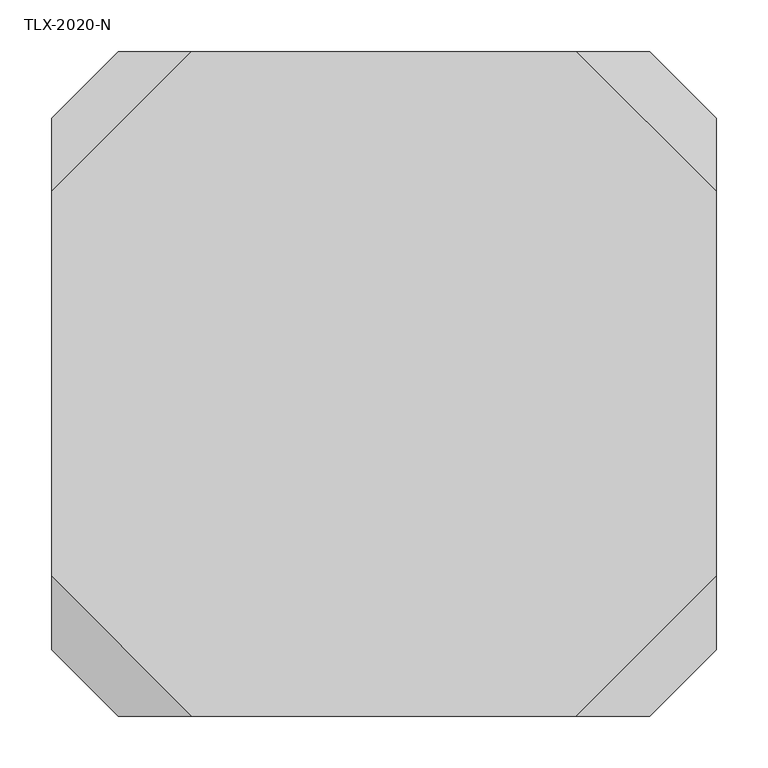
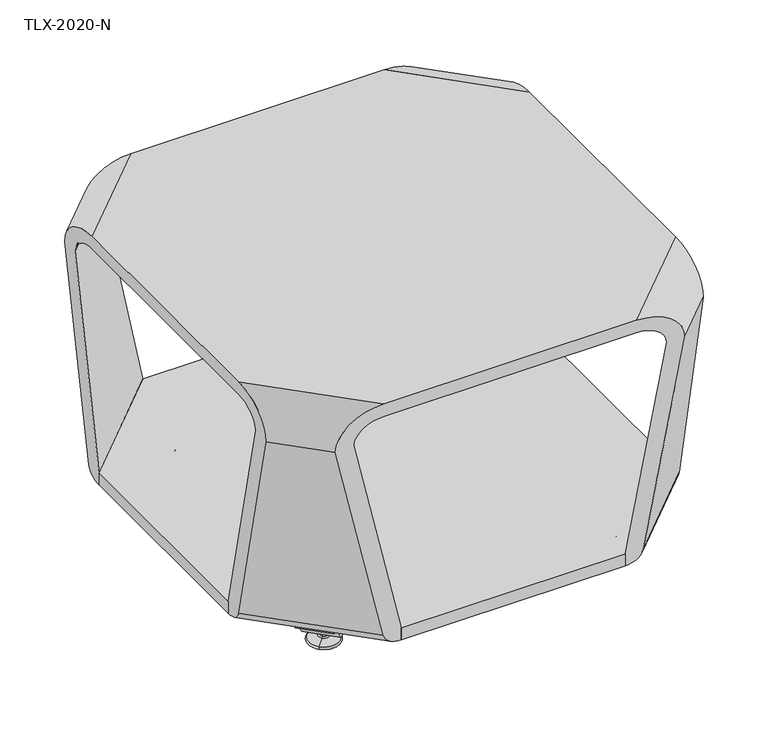
"""IFC4 building model written with IfcOpenShell, lengths in millimetres: furniture geometry, TLX-2020-N."""

from ifc_helpers import new_model, si_unit, point, frame, frame_2d, origin, place, context, project, spatial, polyline, circle_curve, ellipse_curve, trimmed, segment, composite_curve, outline, extrude, source, transform, mapped, element, save
from ifc_brep_helpers import plane_surface, cylinder_surface, revolved_surface, advanced_brep


def tlx_2020_n_4e69cbd5(model_context):
    return source(origin(), model_context, "Body", "SolidModel", [
        advanced_brep(
        [(239.0054742, 315.0121224, 7.8133431), (232.2702821, 308.2769303, 7.8133431), (229.9834824, 305.9901306, 7.8133431), (241.2922739, 317.2989221, 7.8133431), (220.1247494, 296.1313976, 4.0775), (251.1510069, 327.1576551, 4.0775), (220.4150529, 296.4217012, 0.0), (250.8607033, 326.8673516, 0.0), (235.6378781, 311.6445264, 0.0), (235.6378781, 311.6445264, 50.0000004), (232.2702821, 308.2769303, 50.0000004), (239.0054742, 315.0121224, 50.0000004)],
        [
            (0, 1, circle_curve(frame((235.6378781, 311.6445264, 7.8133431), z_axis=(0.0, 0.0, -1.0), x_axis=(-0.7071067811865458, -0.7071067811865493, 0.0)), 4.7625)),
            (1, 2),
            (2, 3, circle_curve(frame((235.6378781, 311.6445264, 7.8133431), z_axis=(0.0, 0.0, 1.0), x_axis=(-0.7071067811865458, -0.7071067811865493, 0.0)), 7.9965232)),
            (3, 0),
            (1, 0, circle_curve(frame((235.6378781, 311.6445264, 7.8133431), z_axis=(0.0, 0.0, -1.0), x_axis=(-0.7071067811865458, -0.7071067811865493, 0.0)), 4.7625)),
            (3, 2, circle_curve(frame((235.6378781, 311.6445264, 7.8133431), z_axis=(0.0, 0.0, 1.0), x_axis=(-0.7071067811865458, -0.7071067811865493, 0.0)), 7.9965232)),
            (2, 4),
            (4, 5, circle_curve(frame((235.6378781, 311.6445264, 4.0775), z_axis=(0.0, 0.0, 1.0), x_axis=(-0.7071067811865458, -0.7071067811865493, 0.0)), 21.9388771)),
            (5, 3),
            (5, 4, circle_curve(frame((235.6378781, 311.6445264, 4.0775), z_axis=(0.0, 0.0, 1.0), x_axis=(-0.7071067811865458, -0.7071067811865493, 0.0)), 21.9388771)),
            (4, 6, circle_curve(frame((220.5046942, 296.5113425, 2.0721829), z_axis=(0.7071067811865493, -0.7071067811865458, 0.0), x_axis=(0.7071067811865458, 0.7071067811865493, 0.0)), 2.0760571)),
            (6, 7, circle_curve(frame((235.6378781, 311.6445264, 0.0), z_axis=(0.0, 0.0, 1.0), x_axis=(-0.7071067811865458, -0.7071067811865493, 0.0)), 21.5283258)),
            (7, 5, circle_curve(frame((250.771062, 326.7777103, 2.0721829), z_axis=(0.707106781186547, -0.7071067811865481, 0.0), x_axis=(-0.7071067811865481, -0.707106781186547, 0.0)), 2.0760571)),
            (7, 6, circle_curve(frame((235.6378781, 311.6445264, 0.0), z_axis=(0.0, 0.0, 1.0), x_axis=(-0.7071067811865458, -0.7071067811865493, 0.0)), 21.5283258)),
            (6, 8),
            (8, 7),
            (9, 10),
            (10, 11, circle_curve(frame((235.6378781, 311.6445264, 50.0000004), z_axis=(0.0, 0.0, 1.0), x_axis=(-0.7071067811865458, -0.7071067811865493, 0.0)), 4.7625)),
            (11, 9),
            (11, 10, circle_curve(frame((235.6378781, 311.6445264, 50.0000004), z_axis=(0.0, 0.0, 1.0), x_axis=(-0.7071067811865458, -0.7071067811865493, 0.0)), 4.7625)),
            (10, 1),
            (0, 11),
        ],
        [
            plane_surface(frame((235.6378781, 311.6445264, 7.8133431), z_axis=(0.0, 0.0, 1.0), x_axis=(-0.7071067811865458, -0.7071067811865493, 0.0))),
            revolved_surface(polyline([(220.1247494, 296.1313976, 4.0775), (229.9834824, 305.9901306, 7.8133431)]), (235.6378781, 311.6445264, 0.0), (0.0, 0.0, 1.0)),
            revolved_surface(trimmed(ellipse_curve(frame((220.5046942, 296.5113425, 2.0721829), z_axis=(-0.7071067811865493, 0.7071067811865458, 0.0), x_axis=(0.7071067811865458, 0.7071067811865493, 0.0)), 2.0760571, 2.0760571), [point((220.4150529, 296.4217012, 0.0))], [point((220.1247494, 296.1313976, 4.0775))], True, "CARTESIAN"), (235.6378781, 311.6445264, 0.0), (0.0, 0.0, 1.0)),
            plane_surface(frame((235.6378781, 311.6445264, 0.0), z_axis=(0.0, 0.0, -1.0), x_axis=(-0.7071067811865458, -0.7071067811865493, 0.0))),
            plane_surface(frame((235.6378781, 311.6445264, 50.0000004), z_axis=(0.0, 0.0, 1.0), x_axis=(-0.7071067811865458, -0.7071067811865493, 0.0))),
            cylinder_surface(frame((235.6378781, 311.6445264, 0.0), z_axis=(0.0, 0.0, 1.0), x_axis=(-0.7071067811865458, -0.7071067811865493, 0.0)), 4.7625),
        ],
        [
            (0, [[1, 2, 3, 4]]),
            (0, [[5, -4, 6, -2]]),
            (1, [[-3, 7, 8, 9]]),
            (1, [[-6, -9, 10, -7]]),
            (2, [[-8, 11, 12, 13]]),
            (2, [[-10, -13, 14, -11]]),
            (3, [[-12, 15, 16]]),
            (3, [[-14, -16, -15]]),
            (4, [[17, 18, 19]]),
            (4, [[-19, 20, -17]]),
            (5, [[-18, 21, -1, 22]]),
            (5, [[-20, -22, -5, -21]]),
        ],
    ),
        extrude(outline(composite_curve([segment(polyline([(9.310002, 9.3100019), (9.310002, 19.1875394)]), True, "CONTINUOUS"), segment(trimmed(circle_curve(frame_2d((0.0, 19.1875394)), 9.310002), [point((9.310002, 19.1875394))], [point((0.7937553, 28.4636425))], True, "CARTESIAN"), True, "CONTINUOUS"), segment(polyline([(0.7937553, 28.4636425), (-6.9117032, 29.1229979)]), True, "CONTINUOUS"), segment(trimmed(circle_curve(frame_2d((-4.8241067, 43.9770199)), 15.000001), [point((-6.9117032, 29.1229979))], [point((-19.8241077, 43.9770199))], False, "CARTESIAN"), True, "CONTINUOUS"), segment(polyline([(-19.8241077, 43.9770199), (-19.8241077, 59.4425545), (-14.1341071, 59.4425545), (-14.1341071, 43.9770213)]), True, "CONTINUOUS"), segment(trimmed(circle_curve(frame_2d((-4.8241051, 43.9770213)), 9.310002), [point((-14.1341071, 43.9770213))], [point((-6.1198051, 34.7576234))], True, "CARTESIAN"), True, "CONTINUOUS"), segment(polyline([(-6.1198051, 34.7576234), (1.7775308, 34.0818491)]), True, "CONTINUOUS"), segment(trimmed(circle_curve(frame_2d((1.6e-06, 19.1875408)), 15.000001), [point((1.7775308, 34.0818491))], [point((15.0000026, 19.1875408))], False, "CARTESIAN"), True, "CONTINUOUS"), segment(polyline([(15.0000026, 19.1875408), (15.0000026, 9.3100005)]), True, "CONTINUOUS"), segment(trimmed(circle_curve(frame_2d((1.6e-06, 9.3100005)), 15.000001), [point((15.0000026, 9.3100005))], [point((1.7775308, -5.5843078))], False, "CARTESIAN"), True, "CONTINUOUS"), segment(polyline([(1.7775308, -5.5843078), (-6.1198051, -6.2600821)]), True, "CONTINUOUS"), segment(trimmed(circle_curve(frame_2d((-4.8241051, -15.47948)), 9.310002), [point((-6.1198051, -6.2600821))], [point((-14.1341071, -15.47948))], True, "CARTESIAN"), True, "CONTINUOUS"), segment(polyline([(-14.1341071, -15.47948), (-14.1341071, -30.9450132), (-19.8241077, -30.9450132), (-19.8241077, -15.4794786)]), True, "CONTINUOUS"), segment(trimmed(circle_curve(frame_2d((-4.8241067, -15.4794786)), 15.000001), [point((-19.8241077, -15.4794786))], [point((-6.9117032, -0.6254566))], False, "CARTESIAN"), True, "CONTINUOUS"), segment(polyline([(-6.9117032, -0.6254566), (0.7937553, 0.0338988)]), True, "CONTINUOUS"), segment(trimmed(circle_curve(frame_2d((0.0, 9.3100019)), 9.310002), [point((0.7937553, 0.0338988))], [point((9.310002, 9.3100019))], True, "CARTESIAN"), True, "CONTINUOUS")], self_intersect=False)), frame((263.6737927, 303.7594165, 30.0000023), z_axis=(-0.7071067811865467, 0.7071067811865483, 0.0), x_axis=(0.0, 0.0, -1.0)), (0.0, 0.0, 1.0), 50.8),
        advanced_brep(
        [(647.7690762, 317.2989221, 7.8133431), (659.0778677, 305.9901306, 7.8133431), (656.791068, 308.2769303, 7.8133431), (650.0558759, 315.0121224, 7.8133431), (637.9103432, 327.1576551, 4.0775), (668.9366007, 296.1313976, 4.0775), (638.2006468, 326.8673516, 0.0), (668.6462971, 296.4217012, 0.0), (653.4234719, 311.6445264, 0.0), (650.0558759, 315.0121224, 50.0000004), (656.791068, 308.2769303, 50.0000004), (653.4234719, 311.6445264, 50.0000004)],
        [
            (0, 1, circle_curve(frame((653.4234719, 311.6445264, 7.8133431), z_axis=(0.0, 0.0, 1.0), x_axis=(0.7071067811865458, -0.7071067811865493, 0.0)), 7.9965232)),
            (1, 2),
            (2, 3, circle_curve(frame((653.4234719, 311.6445264, 7.8133431), z_axis=(0.0, 0.0, -1.0), x_axis=(0.7071067811865458, -0.7071067811865493, 0.0)), 4.7625)),
            (3, 0),
            (1, 0, circle_curve(frame((653.4234719, 311.6445264, 7.8133431), z_axis=(0.0, 0.0, 1.0), x_axis=(0.7071067811865458, -0.7071067811865493, 0.0)), 7.9965232)),
            (3, 2, circle_curve(frame((653.4234719, 311.6445264, 7.8133431), z_axis=(0.0, 0.0, -1.0), x_axis=(0.7071067811865458, -0.7071067811865493, 0.0)), 4.7625)),
            (4, 5, circle_curve(frame((653.4234719, 311.6445264, 4.0775), z_axis=(0.0, 0.0, 1.0), x_axis=(0.7071067811865458, -0.7071067811865493, 0.0)), 21.9388771)),
            (5, 1),
            (0, 4),
            (5, 4, circle_curve(frame((653.4234719, 311.6445264, 4.0775), z_axis=(0.0, 0.0, 1.0), x_axis=(0.7071067811865458, -0.7071067811865493, 0.0)), 21.9388771)),
            (6, 7, circle_curve(frame((653.4234719, 311.6445264, 0.0), z_axis=(0.0, 0.0, 1.0), x_axis=(0.7071067811865458, -0.7071067811865493, 0.0)), 21.5283258)),
            (7, 5, circle_curve(frame((668.5566558, 296.5113425, 2.0721829), z_axis=(-0.7071067811865493, -0.7071067811865458, 0.0), x_axis=(-0.7071067811865458, 0.7071067811865493, 0.0)), 2.0760571)),
            (4, 6, circle_curve(frame((638.2902881, 326.7777103, 2.0721829), z_axis=(-0.707106781186547, -0.7071067811865481, 0.0), x_axis=(0.7071067811865481, -0.707106781186547, 0.0)), 2.0760571)),
            (7, 6, circle_curve(frame((653.4234719, 311.6445264, 0.0), z_axis=(0.0, 0.0, 1.0), x_axis=(0.7071067811865458, -0.7071067811865493, 0.0)), 21.5283258)),
            (8, 7),
            (6, 8),
            (9, 10, circle_curve(frame((653.4234719, 311.6445264, 50.0000004), z_axis=(0.0, 0.0, 1.0), x_axis=(0.7071067811865458, -0.7071067811865493, 0.0)), 4.7625)),
            (10, 11),
            (11, 9),
            (10, 9, circle_curve(frame((653.4234719, 311.6445264, 50.0000004), z_axis=(0.0, 0.0, 1.0), x_axis=(0.7071067811865458, -0.7071067811865493, 0.0)), 4.7625)),
            (2, 10),
            (9, 3),
        ],
        [
            plane_surface(frame((653.4234719, 311.6445264, 7.8133431), z_axis=(0.0, 0.0, 1.0), x_axis=(0.7071067811865458, -0.7071067811865493, 0.0))),
            revolved_surface(polyline([(659.0778677, 305.9901306, 7.8133431), (668.9366007, 296.1313976, 4.0775)]), (653.4234719, 311.6445264, 0.0), (0.0, 0.0, -1.0)),
            revolved_surface(trimmed(ellipse_curve(frame((668.5566558, 296.5113425, 2.0721829), z_axis=(0.7071067811865493, 0.7071067811865458, 0.0), x_axis=(-0.7071067811865458, 0.7071067811865493, 0.0)), 2.0760571, 2.0760571), [point((668.9366007, 296.1313976, 4.0775))], [point((668.6462971, 296.4217012, 0.0))], True, "CARTESIAN"), (653.4234719, 311.6445264, 0.0), (0.0, 0.0, -1.0)),
            plane_surface(frame((653.4234719, 311.6445264, 0.0), z_axis=(0.0, 0.0, -1.0), x_axis=(0.7071067811865458, -0.7071067811865493, 0.0))),
            plane_surface(frame((653.4234719, 311.6445264, 50.0000004), z_axis=(0.0, 0.0, 1.0), x_axis=(0.7071067811865458, -0.7071067811865493, 0.0))),
            cylinder_surface(frame((653.4234719, 311.6445264, 0.0), z_axis=(0.0, 0.0, -1.0), x_axis=(0.7071067811865458, -0.7071067811865493, 0.0)), 4.7625),
        ],
        [
            (0, [[1, 2, 3, 4]]),
            (0, [[5, -4, 6, -2]]),
            (1, [[7, 8, -1, 9]]),
            (1, [[10, -9, -5, -8]]),
            (2, [[11, 12, -7, 13]]),
            (2, [[14, -13, -10, -12]]),
            (3, [[15, -11, 16]]),
            (3, [[-16, -14, -15]]),
            (4, [[17, 18, 19]]),
            (4, [[20, -19, -18]]),
            (5, [[-3, 21, -17, 22]]),
            (5, [[-6, -22, -20, -21]]),
        ],
    ),
        extrude(outline(composite_curve([segment(trimmed(circle_curve(frame_2d((-42.6726288, 9.310002)), 9.310002), [point((-42.6726288, 0.0))], [point((-33.3965256, 8.5162467))], True, "CARTESIAN"), True, "CONTINUOUS"), segment(polyline([(-33.3965256, 8.5162467), (-32.7371703, 16.2217052)]), True, "CONTINUOUS"), segment(trimmed(circle_curve(frame_2d((-17.8831482, 14.1341087)), 15.000001), [point((-32.7371703, 16.2217052))], [point((-17.8831482, 29.1341097))], False, "CARTESIAN"), True, "CONTINUOUS"), segment(polyline([(-17.8831482, 29.1341097), (-2.4176136, 29.1341097), (-2.4176136, 23.4441091), (-17.8831468, 23.4441091)]), True, "CONTINUOUS"), segment(trimmed(circle_curve(frame_2d((-17.8831468, 14.1341071)), 9.310002), [point((-17.8831468, 23.4441091))], [point((-27.1025448, 15.4298071))], True, "CARTESIAN"), True, "CONTINUOUS"), segment(polyline([(-27.1025448, 15.4298071), (-27.7783191, 7.5324712)]), True, "CONTINUOUS"), segment(trimmed(circle_curve(frame_2d((-42.6726274, 9.3100004)), 15.000001), [point((-27.7783191, 7.5324712))], [point((-42.6726274, -5.6900006))], False, "CARTESIAN"), True, "CONTINUOUS"), segment(polyline([(-42.6726274, -5.6900006), (-52.5501676, -5.6900006)]), True, "CONTINUOUS"), segment(trimmed(circle_curve(frame_2d((-52.5501676, 9.3100004)), 15.000001), [point((-52.5501676, -5.6900006))], [point((-67.4444759, 7.5324712))], False, "CARTESIAN"), True, "CONTINUOUS"), segment(polyline([(-67.4444759, 7.5324712), (-68.1202502, 15.4298071)]), True, "CONTINUOUS"), segment(trimmed(circle_curve(frame_2d((-77.3396482, 14.1341071)), 9.310002), [point((-68.1202502, 15.4298071))], [point((-77.3396482, 23.4441091))], True, "CARTESIAN"), True, "CONTINUOUS"), segment(polyline([(-77.3396482, 23.4441091), (-92.8051814, 23.4441091), (-92.8051814, 29.1341097), (-77.3396468, 29.1341097)]), True, "CONTINUOUS"), segment(trimmed(circle_curve(frame_2d((-77.3396468, 14.1341087)), 15.000001), [point((-77.3396468, 29.1341097))], [point((-62.4856247, 16.2217052))], False, "CARTESIAN"), True, "CONTINUOUS"), segment(polyline([(-62.4856247, 16.2217052), (-61.8262693, 8.5162467)]), True, "CONTINUOUS"), segment(trimmed(circle_curve(frame_2d((-52.5501662, 9.310002)), 9.310002), [point((-61.8262693, 8.5162467))], [point((-52.5501662, 0.0))], True, "CARTESIAN"), True, "CONTINUOUS"), segment(polyline([(-52.5501662, 0.0), (-42.6726288, 0.0)]), True, "CONTINUOUS")], self_intersect=False)), frame((601.7966177, 327.3503562, 20.6900003), z_axis=(0.7071067811865468, 0.7071067811865483, 0.0), x_axis=(-0.7071067811865483, 0.7071067811865468, 0.0)), (0.0, 0.0, 1.0), 50.8),
        advanced_brep(
        [(650.0558759, 726.326946, 7.8133431), (656.791068, 733.0621381, 7.8133431), (659.0778677, 735.3489378, 7.8133431), (647.7690762, 724.0401463, 7.8133431), (668.9366007, 745.2076708, 4.0775), (637.9103432, 714.1814133, 4.0775), (668.6462971, 744.9173672, 0.0), (638.2006468, 714.4717169, 0.0), (653.4234719, 729.694542, 0.0), (653.4234719, 729.694542, 50.0000004), (656.791068, 733.0621381, 50.0000004), (650.0558759, 726.326946, 50.0000004)],
        [
            (0, 1, circle_curve(frame((653.4234719, 729.694542, 7.8133431), z_axis=(0.0, 0.0, -1.0), x_axis=(0.7071067811865458, 0.7071067811865493, 0.0)), 4.7625)),
            (1, 2),
            (2, 3, circle_curve(frame((653.4234719, 729.694542, 7.8133431), z_axis=(0.0, 0.0, 1.0), x_axis=(0.7071067811865458, 0.7071067811865493, 0.0)), 7.9965232)),
            (3, 0),
            (1, 0, circle_curve(frame((653.4234719, 729.694542, 7.8133431), z_axis=(0.0, 0.0, -1.0), x_axis=(0.7071067811865458, 0.7071067811865493, 0.0)), 4.7625)),
            (3, 2, circle_curve(frame((653.4234719, 729.694542, 7.8133431), z_axis=(0.0, 0.0, 1.0), x_axis=(0.7071067811865458, 0.7071067811865493, 0.0)), 7.9965232)),
            (2, 4),
            (4, 5, circle_curve(frame((653.4234719, 729.694542, 4.0775), z_axis=(0.0, 0.0, 1.0), x_axis=(0.7071067811865458, 0.7071067811865493, 0.0)), 21.9388771)),
            (5, 3),
            (5, 4, circle_curve(frame((653.4234719, 729.694542, 4.0775), z_axis=(0.0, 0.0, 1.0), x_axis=(0.7071067811865458, 0.7071067811865493, 0.0)), 21.9388771)),
            (4, 6, circle_curve(frame((668.5566558, 744.8277259, 2.0721829), z_axis=(-0.7071067811865493, 0.7071067811865458, 0.0), x_axis=(-0.7071067811865458, -0.7071067811865493, 0.0)), 2.0760571)),
            (6, 7, circle_curve(frame((653.4234719, 729.694542, 0.0), z_axis=(0.0, 0.0, 1.0), x_axis=(0.7071067811865458, 0.7071067811865493, 0.0)), 21.5283258)),
            (7, 5, circle_curve(frame((638.2902881, 714.5613582, 2.0721829), z_axis=(-0.707106781186547, 0.7071067811865481, 0.0), x_axis=(0.7071067811865481, 0.707106781186547, 0.0)), 2.0760571)),
            (7, 6, circle_curve(frame((653.4234719, 729.694542, 0.0), z_axis=(0.0, 0.0, 1.0), x_axis=(0.7071067811865458, 0.7071067811865493, 0.0)), 21.5283258)),
            (6, 8),
            (8, 7),
            (9, 10),
            (10, 11, circle_curve(frame((653.4234719, 729.694542, 50.0000004), z_axis=(0.0, 0.0, 1.0), x_axis=(0.7071067811865458, 0.7071067811865493, 0.0)), 4.7625)),
            (11, 9),
            (11, 10, circle_curve(frame((653.4234719, 729.694542, 50.0000004), z_axis=(0.0, 0.0, 1.0), x_axis=(0.7071067811865458, 0.7071067811865493, 0.0)), 4.7625)),
            (10, 1),
            (0, 11),
        ],
        [
            plane_surface(frame((653.4234719, 729.694542, 7.8133431), z_axis=(0.0, 0.0, 1.0), x_axis=(0.7071067811865458, 0.7071067811865493, 0.0))),
            revolved_surface(polyline([(668.9366007, 745.2076708, 4.0775), (659.0778677, 735.3489378, 7.8133431)]), (653.4234719, 729.694542, 0.0), (0.0, 0.0, 1.0)),
            revolved_surface(trimmed(ellipse_curve(frame((668.5566558, 744.8277259, 2.0721829), z_axis=(0.7071067811865493, -0.7071067811865458, 0.0), x_axis=(-0.7071067811865458, -0.7071067811865493, 0.0)), 2.0760571, 2.0760571), [point((668.6462971, 744.9173672, 0.0))], [point((668.9366007, 745.2076708, 4.0775))], True, "CARTESIAN"), (653.4234719, 729.694542, 0.0), (0.0, 0.0, 1.0)),
            plane_surface(frame((653.4234719, 729.694542, 0.0), z_axis=(0.0, 0.0, -1.0), x_axis=(0.7071067811865458, 0.7071067811865493, 0.0))),
            plane_surface(frame((653.4234719, 729.694542, 50.0000004), z_axis=(0.0, 0.0, 1.0), x_axis=(0.7071067811865458, 0.7071067811865493, 0.0))),
            cylinder_surface(frame((653.4234719, 729.694542, 0.0), z_axis=(0.0, 0.0, 1.0), x_axis=(0.7071067811865458, 0.7071067811865493, 0.0)), 4.7625),
        ],
        [
            (0, [[1, 2, 3, 4]]),
            (0, [[5, -4, 6, -2]]),
            (1, [[-3, 7, 8, 9]]),
            (1, [[-6, -9, 10, -7]]),
            (2, [[-8, 11, 12, 13]]),
            (2, [[-10, -13, 14, -11]]),
            (3, [[-12, 15, 16]]),
            (3, [[-14, -16, -15]]),
            (4, [[17, 18, 19]]),
            (4, [[-19, 20, -17]]),
            (5, [[-18, 21, -1, 22]]),
            (5, [[-20, -22, -5, -21]]),
        ],
    ),
        extrude(outline(composite_curve([segment(trimmed(circle_curve(frame_2d((0.0, 9.310002)), 9.310002), [point((-9.310002, 9.310002))], [point((-0.7937553, 0.0338988))], True, "CARTESIAN"), True, "CONTINUOUS"), segment(polyline([(-0.7937553, 0.0338988), (6.9117032, -0.6254565)]), True, "CONTINUOUS"), segment(trimmed(circle_curve(frame_2d((4.8241067, -15.4794786)), 15.000001), [point((6.9117032, -0.6254565))], [point((19.8241077, -15.4794786))], False, "CARTESIAN"), True, "CONTINUOUS"), segment(polyline([(19.8241077, -15.4794786), (19.8241077, -30.9450132), (14.1341071, -30.9450132), (14.1341071, -15.47948)]), True, "CONTINUOUS"), segment(trimmed(circle_curve(frame_2d((4.8241051, -15.47948)), 9.310002), [point((14.1341071, -15.47948))], [point((6.1198051, -6.260082))], True, "CARTESIAN"), True, "CONTINUOUS"), segment(polyline([(6.1198051, -6.260082), (-1.7775308, -5.5843077)]), True, "CONTINUOUS"), segment(trimmed(circle_curve(frame_2d((-1.6e-06, 9.3100007)), 15.000001), [point((-1.7775308, -5.5843077))], [point((-15.0000026, 9.3100007))], False, "CARTESIAN"), True, "CONTINUOUS"), segment(polyline([(-15.0000026, 9.3100007), (-15.0000026, 19.1875408)]), True, "CONTINUOUS"), segment(trimmed(circle_curve(frame_2d((-1.6e-06, 19.1875408)), 15.000001), [point((-15.0000026, 19.1875408))], [point((-1.7775308, 34.0818492))], False, "CARTESIAN"), True, "CONTINUOUS"), segment(polyline([(-1.7775308, 34.0818492), (6.1198051, 34.7576234)]), True, "CONTINUOUS"), segment(trimmed(circle_curve(frame_2d((4.8241051, 43.9770214)), 9.310002), [point((6.1198051, 34.7576234))], [point((14.1341071, 43.9770214))], True, "CARTESIAN"), True, "CONTINUOUS"), segment(polyline([(14.1341071, 43.9770214), (14.1341071, 59.4425547), (19.8241077, 59.4425547), (19.8241077, 43.9770201)]), True, "CONTINUOUS"), segment(trimmed(circle_curve(frame_2d((4.8241067, 43.9770201)), 15.000001), [point((19.8241077, 43.9770201))], [point((6.9117032, 29.1229979))], False, "CARTESIAN"), True, "CONTINUOUS"), segment(polyline([(6.9117032, 29.1229979), (-0.7937553, 28.4636426)]), True, "CONTINUOUS"), segment(trimmed(circle_curve(frame_2d((0.0, 19.1875394)), 9.310002), [point((-0.7937553, 28.4636426))], [point((-9.310002, 19.1875394))], True, "CARTESIAN"), True, "CONTINUOUS"), segment(polyline([(-9.310002, 19.1875394), (-9.310002, 9.310002)]), True, "CONTINUOUS")], self_intersect=False)), frame((661.3085818, 701.6586274, 30.0000023), z_axis=(-0.7071067811865467, 0.7071067811865483, 0.0), x_axis=(0.0, 0.0, 1.0)), (0.0, 0.0, 1.0), 50.8),
        advanced_brep(
        [(241.2922739, 724.0401463, 7.8133431), (229.9834824, 735.3489378, 7.8133431), (232.2702821, 733.0621381, 7.8133431), (239.0054742, 726.326946, 7.8133431), (251.1510069, 714.1814133, 4.0775), (220.1247494, 745.2076708, 4.0775), (250.8607033, 714.4717169, 0.0), (220.4150529, 744.9173672, 0.0), (235.6378781, 729.694542, 0.0), (239.0054742, 726.326946, 50.0000004), (232.2702821, 733.0621381, 50.0000004), (235.6378781, 729.694542, 50.0000004)],
        [
            (0, 1, circle_curve(frame((235.6378781, 729.694542, 7.8133431), z_axis=(0.0, 0.0, 1.0), x_axis=(-0.7071067811865458, 0.7071067811865493, 0.0)), 7.9965232)),
            (1, 2),
            (2, 3, circle_curve(frame((235.6378781, 729.694542, 7.8133431), z_axis=(0.0, 0.0, -1.0), x_axis=(-0.7071067811865458, 0.7071067811865493, 0.0)), 4.7625)),
            (3, 0),
            (1, 0, circle_curve(frame((235.6378781, 729.694542, 7.8133431), z_axis=(0.0, 0.0, 1.0), x_axis=(-0.7071067811865458, 0.7071067811865493, 0.0)), 7.9965232)),
            (3, 2, circle_curve(frame((235.6378781, 729.694542, 7.8133431), z_axis=(0.0, 0.0, -1.0), x_axis=(-0.7071067811865458, 0.7071067811865493, 0.0)), 4.7625)),
            (4, 5, circle_curve(frame((235.6378781, 729.694542, 4.0775), z_axis=(0.0, 0.0, 1.0), x_axis=(-0.7071067811865458, 0.7071067811865493, 0.0)), 21.9388771)),
            (5, 1),
            (0, 4),
            (5, 4, circle_curve(frame((235.6378781, 729.694542, 4.0775), z_axis=(0.0, 0.0, 1.0), x_axis=(-0.7071067811865458, 0.7071067811865493, 0.0)), 21.9388771)),
            (6, 7, circle_curve(frame((235.6378781, 729.694542, 0.0), z_axis=(0.0, 0.0, 1.0), x_axis=(-0.7071067811865458, 0.7071067811865493, 0.0)), 21.5283258)),
            (7, 5, circle_curve(frame((220.5046942, 744.8277259, 2.0721829), z_axis=(0.7071067811865493, 0.7071067811865458, 0.0), x_axis=(0.7071067811865458, -0.7071067811865493, 0.0)), 2.0760571)),
            (4, 6, circle_curve(frame((250.771062, 714.5613582, 2.0721829), z_axis=(0.707106781186547, 0.7071067811865481, 0.0), x_axis=(-0.7071067811865481, 0.707106781186547, 0.0)), 2.0760571)),
            (7, 6, circle_curve(frame((235.6378781, 729.694542, 0.0), z_axis=(0.0, 0.0, 1.0), x_axis=(-0.7071067811865458, 0.7071067811865493, 0.0)), 21.5283258)),
            (8, 7),
            (6, 8),
            (9, 10, circle_curve(frame((235.6378781, 729.694542, 50.0000004), z_axis=(0.0, 0.0, 1.0), x_axis=(-0.7071067811865458, 0.7071067811865493, 0.0)), 4.7625)),
            (10, 11),
            (11, 9),
            (10, 9, circle_curve(frame((235.6378781, 729.694542, 50.0000004), z_axis=(0.0, 0.0, 1.0), x_axis=(-0.7071067811865458, 0.7071067811865493, 0.0)), 4.7625)),
            (2, 10),
            (9, 3),
        ],
        [
            plane_surface(frame((235.6378781, 729.694542, 7.8133431), z_axis=(0.0, 0.0, 1.0), x_axis=(-0.7071067811865458, 0.7071067811865493, 0.0))),
            revolved_surface(polyline([(229.9834824, 735.3489378, 7.8133431), (220.1247494, 745.2076708, 4.0775)]), (235.6378781, 729.694542, 0.0), (0.0, 0.0, -1.0)),
            revolved_surface(trimmed(ellipse_curve(frame((220.5046942, 744.8277259, 2.0721829), z_axis=(-0.7071067811865493, -0.7071067811865458, 0.0), x_axis=(0.7071067811865458, -0.7071067811865493, 0.0)), 2.0760571, 2.0760571), [point((220.1247494, 745.2076708, 4.0775))], [point((220.4150529, 744.9173672, 0.0))], True, "CARTESIAN"), (235.6378781, 729.694542, 0.0), (0.0, 0.0, -1.0)),
            plane_surface(frame((235.6378781, 729.694542, 0.0), z_axis=(0.0, 0.0, -1.0), x_axis=(-0.7071067811865458, 0.7071067811865493, 0.0))),
            plane_surface(frame((235.6378781, 729.694542, 50.0000004), z_axis=(0.0, 0.0, 1.0), x_axis=(-0.7071067811865458, 0.7071067811865493, 0.0))),
            cylinder_surface(frame((235.6378781, 729.694542, 0.0), z_axis=(0.0, 0.0, -1.0), x_axis=(-0.7071067811865458, 0.7071067811865493, 0.0)), 4.7625),
        ],
        [
            (0, [[1, 2, 3, 4]]),
            (0, [[5, -4, 6, -2]]),
            (1, [[7, 8, -1, 9]]),
            (1, [[10, -9, -5, -8]]),
            (2, [[11, 12, -7, 13]]),
            (2, [[14, -13, -10, -12]]),
            (3, [[15, -11, 16]]),
            (3, [[-16, -14, -15]]),
            (4, [[17, 18, 19]]),
            (4, [[20, -19, -18]]),
            (5, [[-3, 21, -17, 22]]),
            (5, [[-6, -22, -20, -21]]),
        ],
    ),
        extrude(outline(composite_curve([segment(polyline([(42.6726288, 0.0), (52.5501662, 0.0)]), True, "CONTINUOUS"), segment(trimmed(circle_curve(frame_2d((52.5501662, 9.310002)), 9.310002), [point((52.5501662, 0.0))], [point((61.8262693, 8.5162467))], True, "CARTESIAN"), True, "CONTINUOUS"), segment(polyline([(61.8262693, 8.5162467), (62.4856247, 16.2217052)]), True, "CONTINUOUS"), segment(trimmed(circle_curve(frame_2d((77.3396468, 14.1341087)), 15.000001), [point((62.4856247, 16.2217052))], [point((77.3396468, 29.1341097))], False, "CARTESIAN"), True, "CONTINUOUS"), segment(polyline([(77.3396468, 29.1341097), (92.8051814, 29.1341097), (92.8051814, 23.4441091), (77.3396482, 23.4441091)]), True, "CONTINUOUS"), segment(trimmed(circle_curve(frame_2d((77.3396482, 14.1341071)), 9.310002), [point((77.3396482, 23.4441091))], [point((68.1202502, 15.4298071))], True, "CARTESIAN"), True, "CONTINUOUS"), segment(polyline([(68.1202502, 15.4298071), (67.444476, 7.5324712)]), True, "CONTINUOUS"), segment(trimmed(circle_curve(frame_2d((52.5501675, 9.3100004)), 15.000001), [point((67.444476, 7.5324712))], [point((52.5501675, -5.6900006))], False, "CARTESIAN"), True, "CONTINUOUS"), segment(polyline([(52.5501675, -5.6900006), (42.6726274, -5.6900006)]), True, "CONTINUOUS"), segment(trimmed(circle_curve(frame_2d((42.6726274, 9.3100004)), 15.000001), [point((42.6726274, -5.6900006))], [point((27.7783191, 7.5324712))], False, "CARTESIAN"), True, "CONTINUOUS"), segment(polyline([(27.7783191, 7.5324712), (27.1025448, 15.4298071)]), True, "CONTINUOUS"), segment(trimmed(circle_curve(frame_2d((17.8831468, 14.1341071)), 9.310002), [point((27.1025448, 15.4298071))], [point((17.8831468, 23.4441091))], True, "CARTESIAN"), True, "CONTINUOUS"), segment(polyline([(17.8831468, 23.4441091), (2.4176135, 23.4441091), (2.4176135, 29.1341097), (17.8831482, 29.1341097)]), True, "CONTINUOUS"), segment(trimmed(circle_curve(frame_2d((17.8831482, 14.1341087)), 15.000001), [point((17.8831482, 29.1341097))], [point((32.7371703, 16.2217052))], False, "CARTESIAN"), True, "CONTINUOUS"), segment(polyline([(32.7371703, 16.2217052), (33.3965256, 8.5162467)]), True, "CONTINUOUS"), segment(trimmed(circle_curve(frame_2d((42.6726288, 9.310002)), 9.310002), [point((33.3965256, 8.5162467))], [point((42.6726288, 0.0))], True, "CARTESIAN"), True, "CONTINUOUS")], self_intersect=False)), frame((251.3437079, 678.0676878, 20.6900003), z_axis=(0.7071067811865468, 0.7071067811865483, 0.0), x_axis=(-0.7071067811865483, 0.7071067811865468, 0.0)), (0.0, 0.0, 1.0), 50.8),
        extrude(outline(polyline([(123.855675, 689.2395615), (275.9606478, 841.3445342), (613.1005146, 841.3445342), (765.205675, 689.2393738), (765.205675, 352.0996981), (613.1005112, 199.9945342), (284.7619726, 199.9945342), (123.855675, 360.9008317), (123.855675, 689.2395615)])), frame((0.0, 0.0, 50.0000004), z_axis=(0.0, 0.0, 1.0), x_axis=(1.0, 0.0, 0.0)), (0.0, 0.0, 1.0), 18.9999985),
        advanced_brep(
        [(765.205675, 334.8572138, 406.0000002), (765.205675, 291.0478966, 376.1711523), (674.1523126, 199.9945342, 376.1711523), (630.3429954, 199.9945342, 406.0000002), (765.205675, 352.0995843, 68.9999989), (613.1006249, 199.9945342, 68.9999989), (765.205675, 352.0996207, 50.0000004), (613.1005886, 199.9945342, 50.0000004), (765.205675, 325.4910341, 66.3557108), (639.7091752, 199.9945342, 66.3557108), (765.205675, 264.1464863, 375.0000029), (701.0537229, 199.9945342, 375.0000029), (765.205675, 334.8572138, 425.45), (630.3429954, 199.9945342, 425.45), (258.7183546, 199.9945342, 425.45), (188.0076271, 199.9945342, 375.0000029), (258.153386, 199.9945342, 66.3557108), (284.7619726, 199.9945342, 49.9999749), (284.7619726, 199.9945342, 68.9999989), (214.9090374, 199.9945342, 376.1711523), (258.7183546, 199.9945342, 406.0000002), (765.205675, 706.4818546, 406.0000002), (765.205675, 750.2911718, 376.1711523), (765.205675, 689.2394841, 68.9999989), (765.205675, 689.2394478, 50.0000004), (765.205675, 715.8480344, 66.3557108), (765.205675, 777.1925821, 375.0000029), (765.205675, 706.4818546, 425.45), (123.855675, 291.0478966, 376.1711523), (123.855675, 334.8572138, 406.0000002), (123.855675, 360.9008317, 68.9999989), (123.855675, 360.9008317, 49.9999749), (123.855675, 334.2922451, 66.3557108), (123.855675, 264.1464863, 375.0000029), (123.855675, 334.8572138, 425.45), (123.855675, 706.4818546, 425.45), (123.855675, 777.1925821, 375.0000029), (123.855675, 715.8480344, 66.3557108), (123.855675, 689.2394478, 50.0000004), (123.855675, 689.2394841, 68.9999989), (123.855675, 750.2911718, 376.1711523), (123.855675, 706.4818546, 406.0000002), (630.3429954, 841.3445342, 425.45), (258.7183546, 841.3445342, 425.45), (258.7183557, 841.3445332, 406.0000002), (630.3429954, 841.3445342, 406.0000002), (674.1523126, 841.3445342, 376.1711523), (613.1006249, 841.3445342, 68.9999989), (613.1005886, 841.3445342, 50.0000004), (639.7091752, 841.3445342, 66.3557108), (701.0537229, 841.3445342, 375.0000029), (214.9090374, 841.3445342, 376.1711523), (275.9607252, 841.3445342, 68.9999989), (275.9607615, 841.3445342, 50.0000004), (249.3521749, 841.3445342, 66.3557108), (188.0076271, 841.3445342, 375.0000029)],
        [
            (0, 1, ellipse_curve(frame((765.205675, 334.8572159, 375.0000031), z_axis=(1.0, 0.0, 0.0), x_axis=(0.0, -1.0, 0.0)), 43.8406163, 30.9999971)),
            (1, 2),
            (2, 3, ellipse_curve(frame((630.3429934, 199.9945342, 375.0000031), z_axis=(0.0, -1.0, 0.0), x_axis=(-1.0, 0.0, 0.0)), 43.8406163, 30.9999971)),
            (3, 0),
            (1, 4),
            (4, 5),
            (5, 2),
            (4, 6),
            (6, 7),
            (7, 5),
            (6, 8, ellipse_curve(frame((765.205675, 352.0995948, 69.000001), z_axis=(-1.0, 0.0, 0.0), x_axis=(0.0, 1.0, 0.0)), 26.8700585, 19.0000006)),
            (8, 9),
            (9, 7, ellipse_curve(frame((613.1006145, 199.9945342, 69.000001), z_axis=(0.0, 1.0, 0.0), x_axis=(1.0, 0.0, 0.0)), 26.8700585, 19.0000006)),
            (8, 10),
            (10, 11),
            (11, 9),
            (10, 12, ellipse_curve(frame((765.205675, 335.695567, 374.8604405), z_axis=(-1.0, 0.0, 0.0), x_axis=(0.0, 1.0, 0.0)), 71.5493529, 50.5930326)),
            (12, 13),
            (13, 11, ellipse_curve(frame((629.5046423, 199.9945342, 374.8604405), z_axis=(0.0, 1.0, 0.0), x_axis=(1.0, 0.0, 0.0)), 71.5493529, 50.5930326)),
            (13, 14),
            (14, 15, ellipse_curve(frame((259.5567078, 199.9945342, 374.8604405), z_axis=(0.0, -1.0, 0.0), x_axis=(-1.0, 0.0, 0.0)), 71.5493529, 50.5930326)),
            (15, 16),
            (16, 17, ellipse_curve(frame((284.761983, 199.9945342, 69.000001), z_axis=(0.0, -1.0, 0.0), x_axis=(-1.0, 0.0, 0.0)), 26.8700945, 19.000026)),
            (17, 18),
            (18, 19),
            (19, 20, ellipse_curve(frame((258.7183567, 199.9945342, 375.0000031), z_axis=(0.0, 1.0, 0.0), x_axis=(1.0, 0.0, 0.0)), 43.8406163, 30.9999971)),
            (20, 3),
            (0, 21),
            (21, 22, ellipse_curve(frame((765.205675, 706.4818526, 375.0000031), z_axis=(-1.0, 0.0, 0.0), x_axis=(0.0, 1.0, 0.0)), 43.8406163, 30.9999971)),
            (22, 23),
            (23, 24),
            (24, 25, ellipse_curve(frame((765.205675, 689.2394737, 69.000001), z_axis=(1.0, 0.0, 0.0), x_axis=(0.0, -1.0, 0.0)), 26.8700585, 19.0000006)),
            (25, 26),
            (26, 27, ellipse_curve(frame((765.205675, 705.6435015, 374.8604405), z_axis=(1.0, 0.0, 0.0), x_axis=(0.0, -1.0, 0.0)), 71.5493529, 50.5930326)),
            (27, 12),
            (28, 29, ellipse_curve(frame((123.855675, 334.8572159, 375.0000031), z_axis=(-1.0, 0.0, 0.0), x_axis=(0.0, -1.0, 0.0)), 43.8406163, 30.9999971)),
            (29, 20),
            (19, 28),
            (30, 28),
            (18, 30),
            (31, 30),
            (17, 31),
            (32, 31, ellipse_curve(frame((123.855675, 360.9008422, 69.000001), z_axis=(1.0, 0.0, 0.0), x_axis=(0.0, 1.0, 0.0)), 26.8700945, 19.000026)),
            (16, 32),
            (33, 32),
            (15, 33),
            (34, 33, ellipse_curve(frame((123.855675, 335.695567, 374.8604405), z_axis=(1.0, 0.0, 0.0), x_axis=(0.0, 1.0, 0.0)), 71.5493529, 50.5930326)),
            (14, 34),
            (34, 35),
            (35, 36, ellipse_curve(frame((123.855675, 705.6435015, 374.8604405), z_axis=(-1.0, 0.0, 0.0), x_axis=(0.0, -1.0, 0.0)), 71.5493529, 50.5930326)),
            (36, 37),
            (37, 38, ellipse_curve(frame((123.855675, 689.2394737, 69.000001), z_axis=(-1.0, 0.0, 0.0), x_axis=(0.0, -1.0, 0.0)), 26.8700585, 19.0000006)),
            (38, 39),
            (39, 40),
            (40, 41, ellipse_curve(frame((123.855675, 706.4818526, 375.0000031), z_axis=(1.0, 0.0, 0.0), x_axis=(0.0, 1.0, 0.0)), 43.8406163, 30.9999971)),
            (41, 29),
            (27, 42),
            (42, 43),
            (43, 35),
            (41, 44),
            (44, 45),
            (45, 21),
            (45, 46, ellipse_curve(frame((630.3429934, 841.3445342, 375.0000031), z_axis=(0.0, 1.0, 0.0), x_axis=(-1.0, 0.0, 0.0)), 43.8406163, 30.9999971)),
            (46, 22),
            (46, 47),
            (47, 23),
            (47, 48),
            (48, 24),
            (48, 49, ellipse_curve(frame((613.1006145, 841.3445342, 69.000001), z_axis=(0.0, -1.0, 0.0), x_axis=(1.0, 0.0, 0.0)), 26.8700585, 19.0000006)),
            (49, 25),
            (49, 50),
            (50, 26),
            (50, 42, ellipse_curve(frame((629.5046423, 841.3445342, 374.8604405), z_axis=(0.0, -1.0, 0.0), x_axis=(1.0, 0.0, 0.0)), 71.5493529, 50.5930326)),
            (44, 51, ellipse_curve(frame((258.7183567, 841.3445342, 375.0000031), z_axis=(0.0, -1.0, 0.0), x_axis=(1.0, 0.0, 0.0)), 43.8406163, 30.9999971)),
            (51, 52),
            (52, 53),
            (53, 54, ellipse_curve(frame((275.9607356, 841.3445342, 69.000001), z_axis=(0.0, 1.0, 0.0), x_axis=(-1.0, 0.0, 0.0)), 26.8700585, 19.0000006)),
            (54, 55),
            (55, 43, ellipse_curve(frame((259.5567078, 841.3445342, 374.8604405), z_axis=(0.0, 1.0, 0.0), x_axis=(-1.0, 0.0, 0.0)), 71.5493529, 50.5930326)),
            (40, 51),
            (39, 52),
            (38, 53),
            (37, 54),
            (36, 55),
        ],
        [
            revolved_surface(polyline([(630.3429933661733, 156.15391793382682, 375.0000031), (809.0462913161731, 334.8572158838273, 375.0000031)]), (572.0507485, 141.7022894, 375.0000031), (-0.707106781186546, -0.7071067811865491, 0.0)),
            plane_surface(frame((814.8767357, 401.770645, 68.9999989), z_axis=(-0.7002252753679965, 0.7002252753679933, 0.13917301272743776), x_axis=(-0.7071067811865459, -0.7071067811865491, 0.0))),
            plane_surface(frame((814.8767175, 401.7706631, 50.0000004), z_axis=(-0.7071067811859026, 0.7071067811858995, 1.3522484888926165e-06), x_axis=(-0.707106781186546, -0.7071067811865491, 0.0))),
            cylinder_surface(frame((563.4295591, 150.3234788, 69.000001), z_axis=(0.707106781186546, 0.7071067811865491, 0.0), x_axis=(0.7071067811865491, -0.707106781186546, 0.0)), 19.0000006),
            plane_surface(frame((858.8532847, 357.794096, 375.0000029), z_axis=(0.7002252605744772, -0.7002252605744741, -0.13917316158949425), x_axis=(-0.707106781186546, -0.7071067811865491, 0.0))),
            cylinder_surface(frame((571.631573, 142.1214649, 374.8604405), z_axis=(0.707106781186546, 0.7071067811865491, 0.0), x_axis=(0.7071067811865491, -0.707106781186546, 0.0)), 50.5930326),
            plane_surface(frame((915.224425, 199.9945342, 476.25), z_axis=(0.0, -1.0, 0.0), x_axis=(0.0, 0.0, -1.0))),
            plane_surface(frame((765.205675, 916.3539092, 476.25), z_axis=(1.0, 0.0, 0.0), x_axis=(0.0, 0.0, -1.0))),
            revolved_surface(polyline([(258.7183567338267, 156.15391793382685, 375.0000031), (80.01505873382703, 334.85721593382726, 375.0000031)]), (317.0106016, 141.7022894, 375.0000031), (0.707106781186546, -0.7071067811865491, 0.0)),
            plane_surface(frame((43.6587705, 371.2448011, 376.1711523), z_axis=(0.6981384941053858, 0.6981384941053826, 0.15876172742992242), x_axis=(0.7071067811865459, -0.7071067811865491, 0.0))),
            plane_surface(frame((78.5852381, 406.1712687, 68.9999989), z_axis=(0.7071067811865492, 0.7071067811865458, 0.0), x_axis=(0.7071067811865458, -0.7071067811865492, 0.0))),
            cylinder_surface(frame((330.0324147, 154.7241025, 69.000001), z_axis=(-0.707106781186546, 0.7071067811865491, 0.0), x_axis=(-0.7071067811865491, -0.707106781186546, 0.0)), 19.000026),
            plane_surface(frame((65.2809448, 392.8669754, 66.3557108), z_axis=(-0.6981490657558722, -0.6981490657558691, -0.15866872397675041), x_axis=(0.707106781186546, -0.7071067811865491, 0.0))),
            cylinder_surface(frame((317.4297771, 142.1214649, 374.8604405), z_axis=(-0.707106781186546, 0.7071067811865491, 0.0), x_axis=(-0.7071067811865491, -0.707106781186546, 0.0)), 50.5930326),
            plane_surface(frame((123.855675, 124.9851592, 476.25), z_axis=(-1.0, 0.0, 0.0), x_axis=(0.0, 0.0, -1.0))),
            plane_surface(frame((75.3937446, 383.3191443, 425.45), z_axis=(0.0, 0.0, 1.0), x_axis=(0.7071067811865459, -0.7071067811865491, 0.0))),
            plane_surface(frame((75.3937446, 383.3191443, 406.0000002), z_axis=(0.0, 0.0, -1.0), x_axis=(-0.7071067811865459, 0.7071067811865491, 0.0))),
            revolved_surface(polyline([(630.3429934161734, 885.1851505161733, 375.0000031), (809.0462913161731, 706.4818526161728, 375.0000031)]), (572.0507485, 899.6367791, 375.0000031), (-0.707106781186546, 0.7071067811865491, 0.0)),
            plane_surface(frame((845.4025795, 670.0942673, 376.1711523), z_axis=(-0.7002252753679965, -0.7002252753679934, 0.13917301272743787), x_axis=(-0.707106781186546, 0.7071067811865491, 0.0))),
            plane_surface(frame((814.8767357, 639.5684235, 68.9999989), z_axis=(-0.7071067811859026, -0.7071067811858995, 1.352248489364839e-06), x_axis=(-0.707106781186546, 0.7071067811865491, 0.0))),
            cylinder_surface(frame((563.4295591, 891.0155896, 69.000001), z_axis=(0.707106781186546, -0.7071067811865491, 0.0), x_axis=(0.7071067811865491, 0.707106781186546, 0.0)), 19.0000006),
            plane_surface(frame((828.1810108, 652.8726986, 66.3557108), z_axis=(0.7002252605744773, 0.700225260574474, -0.13917316158949414), x_axis=(-0.7071067811865458, 0.7071067811865492, 0.0))),
            cylinder_surface(frame((571.631573, 899.2176035, 374.8604405), z_axis=(0.707106781186546, -0.7071067811865491, 0.0), x_axis=(0.7071067811865491, 0.707106781186546, 0.0)), 50.5930326),
            plane_surface(frame((48.8463, 841.3445342, 476.25), z_axis=(0.0, 1.0, 0.0), x_axis=(0.0, 0.0, -1.0))),
            revolved_surface(polyline([(258.71835668382664, 885.1851505161732, 375.0000031), (80.01505873382709, 706.4818525661728, 375.0000031)]), (317.0106016, 899.6367791, 375.0000031), (0.707106781186546, 0.7071067811865491, 0.0)),
            plane_surface(frame((74.1846144, 639.5684235, 68.9999989), z_axis=(0.7002252753679965, -0.7002252753679933, 0.13917301272743782), x_axis=(0.7071067811865459, 0.7071067811865491, 0.0))),
            plane_surface(frame((74.1846326, 639.5684053, 50.0000004), z_axis=(0.7071067811859026, -0.7071067811858994, 1.352248489364839e-06), x_axis=(0.7071067811865459, 0.7071067811865491, 0.0))),
            cylinder_surface(frame((325.631791, 891.0155896, 69.000001), z_axis=(-0.707106781186546, -0.7071067811865491, 0.0), x_axis=(-0.7071067811865491, 0.707106781186546, 0.0)), 19.0000006),
            plane_surface(frame((30.2080654, 683.5449725, 375.0000029), z_axis=(-0.7002252605744772, 0.7002252605744741, -0.1391731615894943), x_axis=(0.707106781186546, 0.7071067811865491, 0.0))),
            cylinder_surface(frame((317.4297771, 899.2176035, 374.8604405), z_axis=(-0.707106781186546, -0.7071067811865491, 0.0), x_axis=(-0.7071067811865491, 0.707106781186546, 0.0)), 50.5930326),
        ],
        [
            (0, [[1, 2, 3, 4]]),
            (1, [[5, 6, 7, -2]]),
            (2, [[8, 9, 10, -6]]),
            (3, [[11, 12, 13, -9]]),
            (4, [[14, 15, 16, -12]]),
            (5, [[17, 18, 19, -15]]),
            (6, [[-3, -7, -10, -13, -16, -19, 20, 21, 22, 23, 24, 25, 26, 27]]),
            (7, [[-1, 28, 29, 30, 31, 32, 33, 34, 35, -17, -14, -11, -8, -5]]),
            (8, [[36, 37, -26, 38]]),
            (9, [[39, -38, -25, 40]]),
            (10, [[41, -40, -24, 42]]),
            (11, [[43, -42, -23, 44]]),
            (12, [[45, -44, -22, 46]]),
            (13, [[47, -46, -21, 48]]),
            (14, [[-36, -39, -41, -43, -45, -47, 49, 50, 51, 52, 53, 54, 55, 56]]),
            (15, [[-20, -18, -35, 57, 58, 59, -49, -48]]),
            (16, [[-56, 60, 61, 62, -28, -4, -27, -37]]),
            (17, [[-29, -62, 63, 64]]),
            (18, [[-30, -64, 65, 66]]),
            (19, [[-31, -66, 67, 68]]),
            (20, [[-32, -68, 69, 70]]),
            (21, [[-33, -70, 71, 72]]),
            (22, [[-34, -72, 73, -57]]),
            (23, [[-63, -61, 74, 75, 76, 77, 78, 79, -58, -73, -71, -69, -67, -65]]),
            (24, [[-55, 80, -74, -60]]),
            (25, [[-54, 81, -75, -80]]),
            (26, [[-53, 82, -76, -81]]),
            (27, [[-52, 83, -77, -82]]),
            (28, [[-51, 84, -78, -83]]),
            (29, [[-50, -59, -79, -84]]),
        ],
    ),
    ])


if __name__ == "__main__":
    model = new_model("IFC4")
    model_context = context("Model", 3, world=origin())
    ifc_project = project(units=[si_unit("LENGTHUNIT", "METRE", prefix="MILLI")], contexts=[model_context])
    site = spatial("IfcSite", under=ifc_project)
    building = spatial("IfcBuilding", under=site)
    placement = place(None, origin())
    tlx_2020_n_shape = tlx_2020_n_4e69cbd5(model_context)
    element("IfcFurniture", 1, ObjectType="TLX-2020-N", at=placement, inside=building, context=model_context, shape_type="MappedRepresentation", body=[
        mapped(tlx_2020_n_shape, transform((0.0, 0.0, 0.0), x_axis=(1.0, 0.0, 0.0), y_axis=(0.0, 1.0, 0.0), z_axis=(0.0, 0.0, 1.0))),
    ])
    save(model, "model.ifc")
